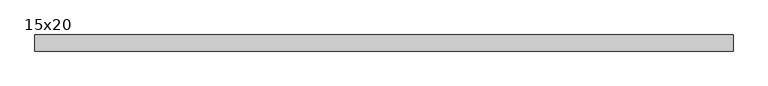
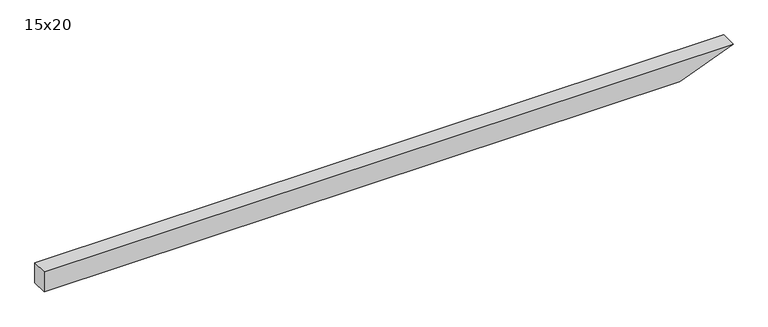
"""IFC4 building model written with IfcOpenShell, lengths in millimetres: beam geometry, 15x20."""

from ifc_helpers import new_model, si_unit, frame, origin, place, context, project, spatial, polyline, outline, extrude, source, transform, mapped, element, save


def beam_15x20_4e1f12dd(model_context):
    return source(origin(), model_context, "Body", "SweptSolid", [
        extrude(outline(polyline([(100.0, -3128.0), (-100.0, -3128.0), (-100.0, 2871.8), (100.0, 3374.0), (100.0, -3128.0)])), frame((0.0, -75.0, 0.0), z_axis=(0.0, 1.0, 0.0), x_axis=(0.0, 0.0, 1.0)), (0.0, 0.0, 1.0), 150.0),
    ])


if __name__ == "__main__":
    model = new_model("IFC4")
    model_context = context("Model", 3, world=origin())
    ifc_project = project(units=[si_unit("LENGTHUNIT", "METRE", prefix="MILLI")], contexts=[model_context])
    site = spatial("IfcSite", under=ifc_project)
    building = spatial("IfcBuilding", under=site)
    placement = place(None, origin())
    beam_15x20_shape = beam_15x20_4e1f12dd(model_context)
    element("IfcBeam", 1, ObjectType="15x20", at=placement, inside=building, context=model_context, shape_type="MappedRepresentation", body=[
        mapped(beam_15x20_shape, transform((0.0, 0.0, 0.0), x_axis=(1.0, 0.0, 0.0), y_axis=(0.0, 1.0, 0.0), z_axis=(0.0, 0.0, 1.0))),
    ])
    save(model, "model.ifc")
